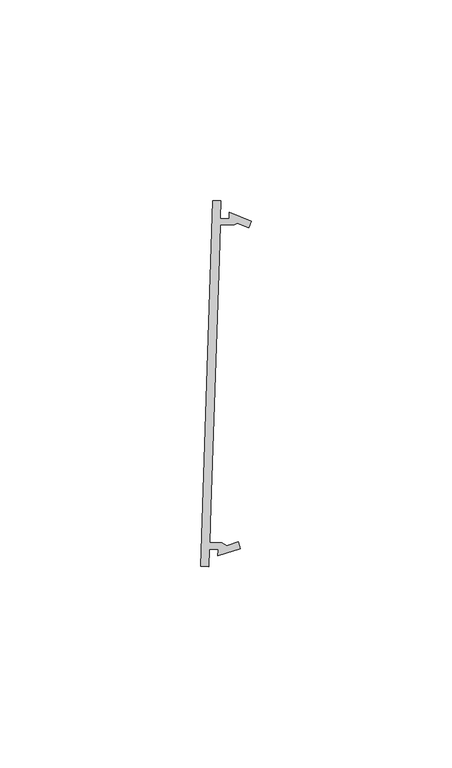
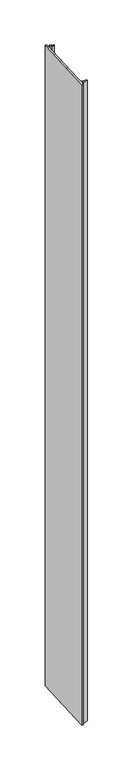
"""IFC4 building model written with IfcOpenShell, lengths in millimetres: proxy geometry."""

from ifc_helpers import new_model, si_unit, frame, origin, place, context, project, spatial, polyline, outline, extrude, source, transform, mapped, element, save


def generic_models_b95c0bdd(model_context):
    return source(origin(), model_context, "Body", "SweptSolid", [
        extrude(outline(polyline([(32715.2629965, -15466.8881534), (32715.3154076, -15465.3142258), (32713.13226, -15465.2402572), (32712.988552, -15469.5558651), (32710.9576777, -15469.4882379), (32713.9924086, -15378.3540215), (32716.0232829, -15378.4216488), (32715.879575, -15382.7372567), (32718.0627649, -15382.809956), (32718.115176, -15381.2360284), (32723.5571408, -15383.4249557), (32722.8936658, -15385.0748007), (32720.0846781, -15383.9519924), (32719.3804444, -15384.298297), (32715.8204012, -15384.5142718), (32715.5448201, -15392.7900847), (32713.484133, -15454.6733642), (32713.1914338, -15463.4632421), (32716.2631312, -15463.5655284), (32717.4084779, -15464.3193823), (32720.2862764, -15463.3757759), (32720.838525, -15465.0661039), (32715.2629965, -15466.8881534)])), frame((0.0, 0.0, 1597.975708), z_axis=(0.0, 0.0, 1.0), x_axis=(1.0, 0.0, 0.0)), (0.0, 0.0, 1.0), 914.4),
    ])


if __name__ == "__main__":
    model = new_model("IFC4")
    model_context = context("Model", 3, world=origin())
    ifc_project = project(units=[si_unit("LENGTHUNIT", "METRE", prefix="MILLI")], contexts=[model_context])
    site = spatial("IfcSite", under=ifc_project)
    building = spatial("IfcBuilding", under=site)
    placement = place(None, origin())
    generic_models_shape = generic_models_b95c0bdd(model_context)
    element("IfcBuildingElementProxy", 1, Name="Generic Models", at=placement, inside=building, context=model_context, shape_type="MappedRepresentation", body=[
        mapped(generic_models_shape, transform((0.0, 0.0, 0.0), x_axis=(1.0, 0.0, 0.0), y_axis=(0.0, 1.0, 0.0), z_axis=(0.0, 0.0, 1.0))),
    ])
    save(model, "model.ifc")
